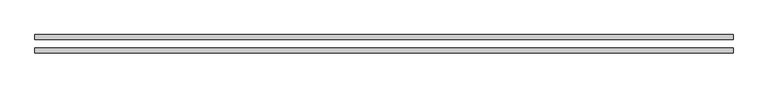
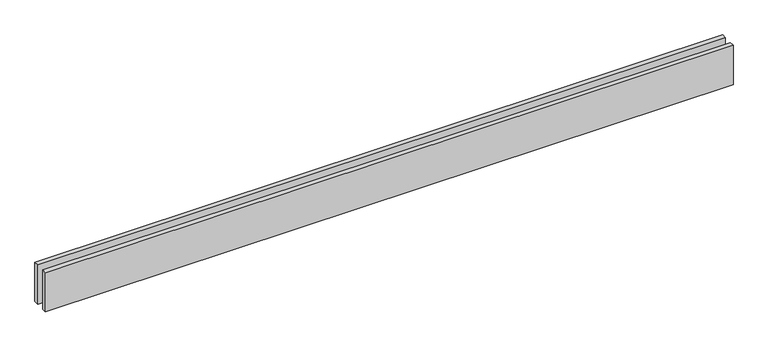
"""IFC4 building model written with IfcOpenShell, lengths in millimetres: proxy geometry."""

import ifcopenshell
import ifcopenshell.guid

model = None  # the IFC model being written
_history = None  # IfcOwnerHistory: only IFC2X3 demands one
_inside = {}  # id of a spatial element -> (the spatial element, [elements in it])
_under = {}  # id of a project, library or spatial element -> (it, [spatial elements below it])
_declared = {}  # id of a project -> (the project, [libraries it declares])
_typed = {}  # id of a type object -> (the type object, [elements of that type])
_made_of = {}  # id of a material, layer set ... -> (it, [elements and type objects made of it])


def new_model(schema):
    """Start an empty IFC model of exactly this schema.

    Asked for "IFC4X3", IfcOpenShell would pick the latest addendum, in which some entities
    have other attributes; the version numbers below select the first issue.
    IFC2X3 requires an IfcOwnerHistory on every rooted entity: one is made here for all.
    """
    global model, _history
    if schema == "IFC4X3":
        model = ifcopenshell.file(schema_version=(4, 3, 0, 0))
    else:
        model = ifcopenshell.file(schema=schema)
    _inside.clear()
    _under.clear()
    _declared.clear()
    _typed.clear()
    _made_of.clear()
    _history = None
    if model.schema == "IFC2X3":
        org = make("IfcOrganization", Name="unknown")
        user = make(
            "IfcPersonAndOrganization",
            ThePerson=make("IfcPerson", FamilyName="unknown"),
            TheOrganization=org,
        )
        app = make(
            "IfcApplication",
            ApplicationDeveloper=org,
            Version="unknown",
            ApplicationFullName="unknown",
            ApplicationIdentifier="unknown",
        )
        _history = make(
            "IfcOwnerHistory",
            OwningUser=user,
            OwningApplication=app,
            ChangeAction="ADDED",
            CreationDate=0,
        )
    return model


def make(cls, **values):
    """One entity of the class cls with the attributes given. An attribute that is None is left unset."""
    return model.create_entity(
        cls, **{name: value for name, value in values.items() if value is not None}
    )


def rooted(cls, **values):
    """An entity with a GlobalId (a new one), such as an element, a storey or a relation."""
    return make(cls, GlobalId=ifcopenshell.guid.new(), OwnerHistory=_history, **values)


def si_unit(unit_type, name, prefix=None):
    """IfcSIUnit, for example si_unit("LENGTHUNIT", "METRE", prefix="MILLI")."""
    return make("IfcSIUnit", UnitType=unit_type, Prefix=prefix, Name=name)


def assignment(units):
    """IfcUnitAssignment: the units of a project."""
    return None if units is None else make("IfcUnitAssignment", Units=units)


def point(xyz):
    """IfcCartesianPoint."""
    return None if xyz is None else make("IfcCartesianPoint", Coordinates=xyz)


def direction(xyz):
    """IfcDirection."""
    return None if xyz is None else make("IfcDirection", DirectionRatios=xyz)


def frame(location, z_axis=None, x_axis=None):
    """IfcAxis2Placement3D, a coordinate frame: its origin and axes. An axis left out is left unset."""
    return make(
        "IfcAxis2Placement3D",
        Location=point(location),
        Axis=direction(z_axis),
        RefDirection=direction(x_axis),
    )


def origin():
    """The frame at (0, 0, 0) with its axes left unset."""
    return frame((0.0, 0.0, 0.0))


def origin_with_axes():
    """The frame at (0, 0, 0) with the z axis (0, 0, 1) and the x axis (1, 0, 0) written out."""
    return frame((0.0, 0.0, 0.0), z_axis=(0.0, 0.0, 1.0), x_axis=(1.0, 0.0, 0.0))


def place(relative_to, where):
    """IfcLocalPlacement: puts the frame where relative to a parent placement (None: the world)."""
    return make(
        "IfcLocalPlacement", PlacementRelTo=relative_to, RelativePlacement=where
    )


def context(
    kind, dimensions, precision=None, world=None, true_north=None, identifier=None
):
    """IfcGeometricRepresentationContext, for example the 3D "Model" context."""
    return make(
        "IfcGeometricRepresentationContext",
        ContextIdentifier=identifier,
        ContextType=kind,
        CoordinateSpaceDimension=dimensions,
        Precision=precision,
        WorldCoordinateSystem=world,
        TrueNorth=true_north,
    )


def project(units=None, contexts=None):
    """IfcProject with its units and contexts."""
    return rooted(
        "IfcProject",
        Name="project",
        RepresentationContexts=contexts,
        UnitsInContext=assignment(units),
    )


def spatial(cls, under=None, at=None, **own):
    """A site, building, storey or space (cls), placed at a placement, below another one or the project."""
    s = rooted(cls, ObjectPlacement=at, **own)
    if under is not None:
        _under.setdefault(under.id(), (under, []))[1].append(s)
    return s


def polyline(points):
    """IfcPolyline through the points."""
    return make("IfcPolyline", Points=[point(p) for p in points])


def outline(outer, holes=None, kind="AREA"):
    """IfcArbitraryClosedProfileDef: a profile drawn as a closed curve; with holes, ...WithVoids."""
    if holes is None:
        return make("IfcArbitraryClosedProfileDef", ProfileType=kind, OuterCurve=outer)
    return make(
        "IfcArbitraryProfileDefWithVoids",
        ProfileType=kind,
        OuterCurve=outer,
        InnerCurves=holes,
    )


def extrude(swept, where, along, depth):
    """IfcExtrudedAreaSolid: the profile swept, set in the frame where, extruded along a direction by depth."""
    return make(
        "IfcExtrudedAreaSolid",
        SweptArea=swept,
        Position=where,
        ExtrudedDirection=direction(along),
        Depth=depth,
    )


def shape(context_of_items, identifier, shape_type, items):
    """IfcShapeRepresentation: the items that make up one representation, for example the "Body"."""
    return make(
        "IfcShapeRepresentation",
        ContextOfItems=context_of_items,
        RepresentationIdentifier=identifier,
        RepresentationType=shape_type,
        Items=items,
    )


def source(mapping_origin, context_of_items, identifier, shape_type, items):
    """IfcRepresentationMap: a shape defined once, which mapped items show again and again."""
    return make(
        "IfcRepresentationMap",
        MappingOrigin=mapping_origin,
        MappedRepresentation=shape(context_of_items, identifier, shape_type, items),
    )


def transform(
    local_origin,
    x_axis=None,
    y_axis=None,
    z_axis=None,
    scale=None,
    scale2=None,
    scale3=None,
    uniform=True,
):
    """IfcCartesianTransformationOperator3D, or its non-uniform kind. x_axis, y_axis, z_axis: its Axis1, 2, 3."""
    if uniform:
        return make(
            "IfcCartesianTransformationOperator3D",
            Axis1=direction(x_axis),
            Axis2=direction(y_axis),
            LocalOrigin=point(local_origin),
            Scale=scale,
            Axis3=direction(z_axis),
        )
    return make(
        "IfcCartesianTransformationOperator3DnonUniform",
        Axis1=direction(x_axis),
        Axis2=direction(y_axis),
        LocalOrigin=point(local_origin),
        Scale=scale,
        Axis3=direction(z_axis),
        Scale2=scale2,
        Scale3=scale3,
    )


def mapped(mapping_source, mapping_target):
    """IfcMappedItem: shows the shape of a source again, moved by a transform."""
    return make(
        "IfcMappedItem", MappingSource=mapping_source, MappingTarget=mapping_target
    )


def made_of(thing, what):
    """Note that an element or type object is made of a material, layer set ...; save() writes the relation."""
    if what is not None:
        _made_of.setdefault(what.id(), (what, []))[1].append(thing)
    return thing


def element(
    cls,
    number,
    at=None,
    inside=None,
    cuts=None,
    type_object=None,
    material=None,
    context=None,
    identifier="Body",
    shape_type=None,
    held_by="IfcProductDefinitionShape",
    body=None,
    shapes=None,
    **own,
):
    """One element of the class cls, such as IfcWall. Its Tag is "e" and its number.

    at: its placement. inside: the storey or other place that contains it. cuts: it is an
    opening in that element (IfcRelVoidsElement). A single representation is given by context,
    identifier, shape_type and body (its items); several are given by shapes. held_by: the class
    of the entity that holds the representations. save() writes the other relations.
    """
    e = rooted(cls, Tag="e%d" % number, ObjectPlacement=at, **own)
    if body is not None:
        shapes = [shape(context, identifier, shape_type, body)]
    if shapes is not None:
        e.Representation = make(held_by, Representations=shapes)
    if inside is not None:
        _inside.setdefault(inside.id(), (inside, []))[1].append(e)
    if cuts is not None:
        rooted(
            "IfcRelVoidsElement", RelatingBuildingElement=cuts, RelatedOpeningElement=e
        )
    if type_object is not None:
        _typed.setdefault(type_object.id(), (type_object, []))[1].append(e)
    return made_of(e, material)


def aggregate(whole, parts):
    """IfcRelAggregates: a whole, such as a stair, and the parts it consists of."""
    return rooted("IfcRelAggregates", RelatingObject=whole, RelatedObjects=parts)


def save(model, path):
    """Write the relations noted so far, then the file.

    IfcRelAggregates (storeys below a building ...), IfcRelContainedInSpatialStructure (elements
    in a storey), IfcRelDefinesByType, IfcRelAssociatesMaterial and IfcRelDeclares: one each for
    every whole, place, type object, material and project.
    """
    for whole, parts in _under.values():
        aggregate(whole, parts)
    for where, things in _inside.values():
        rooted(
            "IfcRelContainedInSpatialStructure",
            RelatedElements=things,
            RelatingStructure=where,
        )
    for kind, things in _typed.values():
        rooted("IfcRelDefinesByType", RelatedObjects=things, RelatingType=kind)
    for what, things in _made_of.values():
        rooted("IfcRelAssociatesMaterial", RelatedObjects=things, RelatingMaterial=what)
    for by, libraries in _declared.values():
        rooted("IfcRelDeclares", RelatingContext=by, RelatedDefinitions=libraries)
    model.write(path)


def generic_models_06910b43(model_context):
    return source(origin(), model_context, "Body", "SweptSolid", [
        extrude(outline(polyline([(4140.0, -25.0), (4140.0, -55.0), (0.0, -55.0), (0.0, -25.0), (4140.0, -25.0)])), origin_with_axes(), (0.0, 0.0, 1.0), 250.0),
        extrude(outline(polyline([(4140.0, 55.0), (4140.0, 25.0), (0.0, 25.0), (0.0, 55.0), (4140.0, 55.0)])), origin_with_axes(), (0.0, 0.0, 1.0), 250.0),
    ])


if __name__ == "__main__":
    model = new_model("IFC4")
    model_context = context("Model", 3, world=origin())
    ifc_project = project(units=[si_unit("LENGTHUNIT", "METRE", prefix="MILLI")], contexts=[model_context])
    site = spatial("IfcSite", under=ifc_project)
    building = spatial("IfcBuilding", under=site)
    placement = place(None, origin())
    generic_models_shape = generic_models_06910b43(model_context)
    element("IfcBuildingElementProxy", 1, Name="Generic Models", at=placement, inside=building, context=model_context, shape_type="MappedRepresentation", body=[
        mapped(generic_models_shape, transform((0.0, 0.0, 0.0), x_axis=(1.0, 0.0, 0.0), y_axis=(0.0, 1.0, 0.0), z_axis=(0.0, 0.0, 1.0))),
    ])
    save(model, "model.ifc")
